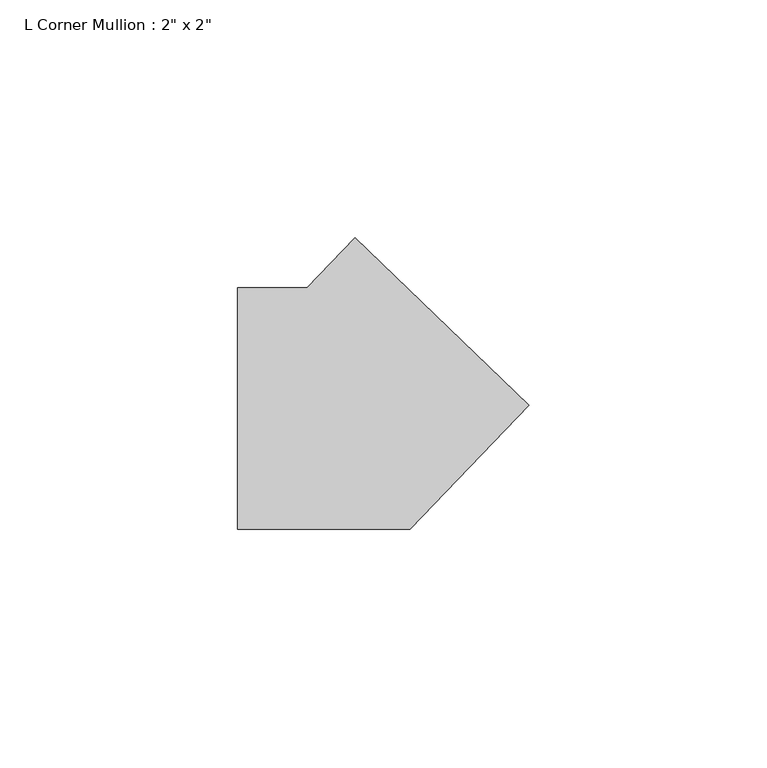
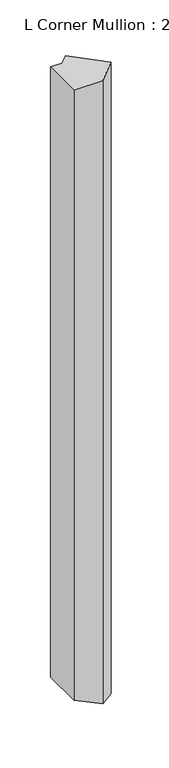
"""IFC4 building model written with IfcOpenShell, lengths in millimetres: member geometry."""

import ifcopenshell
import ifcopenshell.guid

model = None  # the IFC model being written
_history = None  # IfcOwnerHistory: only IFC2X3 demands one
_inside = {}  # id of a spatial element -> (the spatial element, [elements in it])
_under = {}  # id of a project, library or spatial element -> (it, [spatial elements below it])
_declared = {}  # id of a project -> (the project, [libraries it declares])
_typed = {}  # id of a type object -> (the type object, [elements of that type])
_made_of = {}  # id of a material, layer set ... -> (it, [elements and type objects made of it])


def new_model(schema):
    """Start an empty IFC model of exactly this schema.

    Asked for "IFC4X3", IfcOpenShell would pick the latest addendum, in which some entities
    have other attributes; the version numbers below select the first issue.
    IFC2X3 requires an IfcOwnerHistory on every rooted entity: one is made here for all.
    """
    global model, _history
    if schema == "IFC4X3":
        model = ifcopenshell.file(schema_version=(4, 3, 0, 0))
    else:
        model = ifcopenshell.file(schema=schema)
    _inside.clear()
    _under.clear()
    _declared.clear()
    _typed.clear()
    _made_of.clear()
    _history = None
    if model.schema == "IFC2X3":
        org = make("IfcOrganization", Name="unknown")
        user = make(
            "IfcPersonAndOrganization",
            ThePerson=make("IfcPerson", FamilyName="unknown"),
            TheOrganization=org,
        )
        app = make(
            "IfcApplication",
            ApplicationDeveloper=org,
            Version="unknown",
            ApplicationFullName="unknown",
            ApplicationIdentifier="unknown",
        )
        _history = make(
            "IfcOwnerHistory",
            OwningUser=user,
            OwningApplication=app,
            ChangeAction="ADDED",
            CreationDate=0,
        )
    return model


def make(cls, **values):
    """One entity of the class cls with the attributes given. An attribute that is None is left unset."""
    return model.create_entity(
        cls, **{name: value for name, value in values.items() if value is not None}
    )


def rooted(cls, **values):
    """An entity with a GlobalId (a new one), such as an element, a storey or a relation."""
    return make(cls, GlobalId=ifcopenshell.guid.new(), OwnerHistory=_history, **values)


def si_unit(unit_type, name, prefix=None):
    """IfcSIUnit, for example si_unit("LENGTHUNIT", "METRE", prefix="MILLI")."""
    return make("IfcSIUnit", UnitType=unit_type, Prefix=prefix, Name=name)


def assignment(units):
    """IfcUnitAssignment: the units of a project."""
    return None if units is None else make("IfcUnitAssignment", Units=units)


def point(xyz):
    """IfcCartesianPoint."""
    return None if xyz is None else make("IfcCartesianPoint", Coordinates=xyz)


def direction(xyz):
    """IfcDirection."""
    return None if xyz is None else make("IfcDirection", DirectionRatios=xyz)


def frame(location, z_axis=None, x_axis=None):
    """IfcAxis2Placement3D, a coordinate frame: its origin and axes. An axis left out is left unset."""
    return make(
        "IfcAxis2Placement3D",
        Location=point(location),
        Axis=direction(z_axis),
        RefDirection=direction(x_axis),
    )


def origin():
    """The frame at (0, 0, 0) with its axes left unset."""
    return frame((0.0, 0.0, 0.0))


def place(relative_to, where):
    """IfcLocalPlacement: puts the frame where relative to a parent placement (None: the world)."""
    return make(
        "IfcLocalPlacement", PlacementRelTo=relative_to, RelativePlacement=where
    )


def context(
    kind, dimensions, precision=None, world=None, true_north=None, identifier=None
):
    """IfcGeometricRepresentationContext, for example the 3D "Model" context."""
    return make(
        "IfcGeometricRepresentationContext",
        ContextIdentifier=identifier,
        ContextType=kind,
        CoordinateSpaceDimension=dimensions,
        Precision=precision,
        WorldCoordinateSystem=world,
        TrueNorth=true_north,
    )


def project(units=None, contexts=None):
    """IfcProject with its units and contexts."""
    return rooted(
        "IfcProject",
        Name="project",
        RepresentationContexts=contexts,
        UnitsInContext=assignment(units),
    )


def spatial(cls, under=None, at=None, **own):
    """A site, building, storey or space (cls), placed at a placement, below another one or the project."""
    s = rooted(cls, ObjectPlacement=at, **own)
    if under is not None:
        _under.setdefault(under.id(), (under, []))[1].append(s)
    return s


def faces_of(points, faces, orient=None, outer=None):
    """IfcFace entities. A face is a list of loops; a loop is a list of indices into points, from 0.

    orient and outer hold one flag for each loop. By default every Orientation is true, the
    first loop of a face is its IfcFaceOuterBound and the others are IfcFaceBound.
    """
    made = []
    for i, loops in enumerate(faces):
        bounds = []
        for j, loop in enumerate(loops):
            is_outer = j == 0 if outer is None else outer[i][j]
            bounds.append(
                make(
                    "IfcFaceOuterBound" if is_outer else "IfcFaceBound",
                    Bound=make("IfcPolyLoop", Polygon=[points[k] for k in loop]),
                    Orientation=True if orient is None else orient[i][j],
                )
            )
        made.append(make("IfcFace", Bounds=bounds))
    return made


def faceted_brep(points, faces, orient=None, outer=None, voids=None):
    """IfcFacetedBrep: a solid bounded by flat faces; with voids (closed shells), ...WithVoids."""
    shared = [point(p) for p in points]
    hull = make("IfcClosedShell", CfsFaces=faces_of(shared, faces, orient, outer))
    if voids is None:
        return make("IfcFacetedBrep", Outer=hull)
    return make(
        "IfcFacetedBrepWithVoids",
        Outer=hull,
        Voids=[
            make(cls, CfsFaces=faces_of(shared, fs, o, b)) for cls, fs, o, b in voids
        ],
    )


def shape(context_of_items, identifier, shape_type, items):
    """IfcShapeRepresentation: the items that make up one representation, for example the "Body"."""
    return make(
        "IfcShapeRepresentation",
        ContextOfItems=context_of_items,
        RepresentationIdentifier=identifier,
        RepresentationType=shape_type,
        Items=items,
    )


def source(mapping_origin, context_of_items, identifier, shape_type, items):
    """IfcRepresentationMap: a shape defined once, which mapped items show again and again."""
    return make(
        "IfcRepresentationMap",
        MappingOrigin=mapping_origin,
        MappedRepresentation=shape(context_of_items, identifier, shape_type, items),
    )


def transform(
    local_origin,
    x_axis=None,
    y_axis=None,
    z_axis=None,
    scale=None,
    scale2=None,
    scale3=None,
    uniform=True,
):
    """IfcCartesianTransformationOperator3D, or its non-uniform kind. x_axis, y_axis, z_axis: its Axis1, 2, 3."""
    if uniform:
        return make(
            "IfcCartesianTransformationOperator3D",
            Axis1=direction(x_axis),
            Axis2=direction(y_axis),
            LocalOrigin=point(local_origin),
            Scale=scale,
            Axis3=direction(z_axis),
        )
    return make(
        "IfcCartesianTransformationOperator3DnonUniform",
        Axis1=direction(x_axis),
        Axis2=direction(y_axis),
        LocalOrigin=point(local_origin),
        Scale=scale,
        Axis3=direction(z_axis),
        Scale2=scale2,
        Scale3=scale3,
    )


def mapped(mapping_source, mapping_target):
    """IfcMappedItem: shows the shape of a source again, moved by a transform."""
    return make(
        "IfcMappedItem", MappingSource=mapping_source, MappingTarget=mapping_target
    )


def made_of(thing, what):
    """Note that an element or type object is made of a material, layer set ...; save() writes the relation."""
    if what is not None:
        _made_of.setdefault(what.id(), (what, []))[1].append(thing)
    return thing


def element(
    cls,
    number,
    at=None,
    inside=None,
    cuts=None,
    type_object=None,
    material=None,
    context=None,
    identifier="Body",
    shape_type=None,
    held_by="IfcProductDefinitionShape",
    body=None,
    shapes=None,
    **own,
):
    """One element of the class cls, such as IfcWall. Its Tag is "e" and its number.

    at: its placement. inside: the storey or other place that contains it. cuts: it is an
    opening in that element (IfcRelVoidsElement). A single representation is given by context,
    identifier, shape_type and body (its items); several are given by shapes. held_by: the class
    of the entity that holds the representations. save() writes the other relations.
    """
    e = rooted(cls, Tag="e%d" % number, ObjectPlacement=at, **own)
    if body is not None:
        shapes = [shape(context, identifier, shape_type, body)]
    if shapes is not None:
        e.Representation = make(held_by, Representations=shapes)
    if inside is not None:
        _inside.setdefault(inside.id(), (inside, []))[1].append(e)
    if cuts is not None:
        rooted(
            "IfcRelVoidsElement", RelatingBuildingElement=cuts, RelatedOpeningElement=e
        )
    if type_object is not None:
        _typed.setdefault(type_object.id(), (type_object, []))[1].append(e)
    return made_of(e, material)


def aggregate(whole, parts):
    """IfcRelAggregates: a whole, such as a stair, and the parts it consists of."""
    return rooted("IfcRelAggregates", RelatingObject=whole, RelatedObjects=parts)


def save(model, path):
    """Write the relations noted so far, then the file.

    IfcRelAggregates (storeys below a building ...), IfcRelContainedInSpatialStructure (elements
    in a storey), IfcRelDefinesByType, IfcRelAssociatesMaterial and IfcRelDeclares: one each for
    every whole, place, type object, material and project.
    """
    for whole, parts in _under.values():
        aggregate(whole, parts)
    for where, things in _inside.values():
        rooted(
            "IfcRelContainedInSpatialStructure",
            RelatedElements=things,
            RelatingStructure=where,
        )
    for kind, things in _typed.values():
        rooted("IfcRelDefinesByType", RelatedObjects=things, RelatingType=kind)
    for what, things in _made_of.values():
        rooted("IfcRelAssociatesMaterial", RelatedObjects=things, RelatingMaterial=what)
    for by, libraries in _declared.values():
        rooted("IfcRelDeclares", RelatingContext=by, RelatedDefinitions=libraries)
    model.write(path)


def member_709354d4(model_context):
    return source(origin(), model_context, "Body", "Brep", [
        faceted_brep([(-0.7440862, 35.913317, 0.0), (35.913317, 0.7440862, 0.0), (35.913317, 0.7440862, -838.3382122), (-0.7440862, 35.913317, -821.1518662), (-10.8305964, 25.4, 0.0), (-10.8305964, 25.4, -816.4229372), (-25.4, 25.4, 0.0), (-25.4, 25.4, -809.5922621), (-25.4, -25.4, 0.0), (-25.4, -25.4, -809.5922621), (10.8305964, -25.4, 0.0), (10.8305964, -25.4, -826.5785054)], [[[0, 1, 2, 3]], [[4, 0, 3, 5]], [[6, 4, 5, 7]], [[8, 6, 7, 9]], [[10, 8, 9, 11]], [[1, 10, 11, 2]], [[1, 0, 4, 6, 8, 10]], [[2, 11, 9, 7, 5, 3]]]),
    ])


if __name__ == "__main__":
    model = new_model("IFC4")
    model_context = context("Model", 3, world=origin())
    ifc_project = project(units=[si_unit("LENGTHUNIT", "METRE", prefix="MILLI")], contexts=[model_context])
    site = spatial("IfcSite", under=ifc_project)
    building = spatial("IfcBuilding", under=site)
    placement = place(None, origin())
    member_shape = member_709354d4(model_context)
    element("IfcMember", 1, ObjectType="L Corner Mullion : 2\" x 2\"", at=placement, inside=building, context=model_context, shape_type="MappedRepresentation", body=[
        mapped(member_shape, transform((0.0, 0.0, 0.0), x_axis=(1.0, 0.0, 0.0), y_axis=(0.0, 1.0, 0.0), z_axis=(0.0, 0.0, 1.0))),
    ])
    save(model, "model.ifc")
